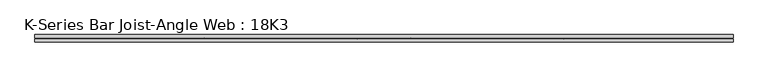
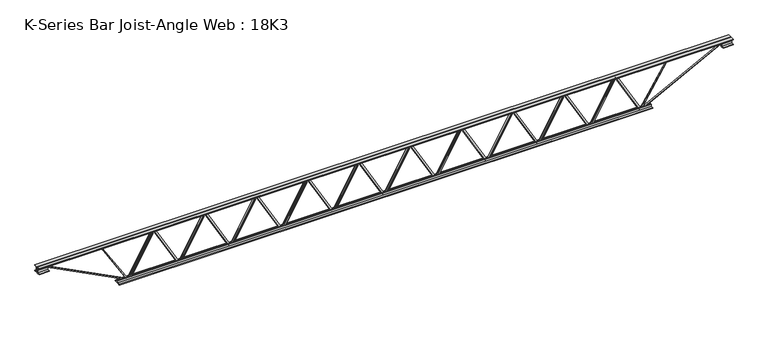
"""IFC4 building model written with IfcOpenShell, lengths in millimetres: beam geometry, K-Series Bar Joist-Angle Web : 18K3."""

from ifc_helpers import new_model, si_unit, frame, origin, place, context, project, spatial, polyline, outline, extrude, faceted_brep, source, transform, mapped, element, save


def k_series_bar_joist_angle_web_18k3_78433776(model_context):
    return source(origin(), model_context, "Body", "SolidModel", [
        extrude(outline(polyline([(-4.7625, 4.7625), (-4.7625, 0.0), (-17.4625, 0.0), (-17.4625, 4.7625), (-4.7625, 4.7625)])), frame((2044.6073736, 0.0, -190.5), z_axis=(-0.496310789905123, 0.0, 0.8681449186764575), x_axis=(0.0, -1.0, 0.0)), (0.0, 0.0, 1.0), 438.8668203),
        extrude(outline(polyline([(-225.425, 2076.45), (-206.375, 2076.45), (-206.375, 2075.6263121), (225.425, 1828.7700621), (225.425, 1810.54375), (206.375, 1810.54375), (206.375, 1817.7174379), (-225.425, 2064.5736879), (-225.425, 2076.45)])), frame((0.0, 0.0, 0.0), z_axis=(0.0, 1.0, 0.0), x_axis=(0.0, 0.0, 1.0)), (0.0, 0.0, 1.0), 4.7625),
        faceted_brep([(1557.3375, 0.0, -206.375), (1557.3375, 0.0, -225.425), (1557.3375, -4.7625, -225.425), (1557.3375, -4.7625, -206.375), (1558.1611879, 0.0, -206.375), (1805.0174379, 0.0, 225.425), (1823.24375, 0.0, 225.425), (1823.24375, 0.0, 206.375), (1816.0700621, 0.0, 206.375), (1569.2138121, 0.0, -225.425), (1569.2138121, -4.7625, -225.425), (1589.1801264, -4.7625, -190.5), (1585.0455862, -4.7625, -188.1363199), (1802.8599244, -4.7625, 192.8636801), (1806.9944646, -4.7625, 190.5), (1816.0700621, -4.7625, 206.375), (1823.24375, -4.7625, 206.375), (1823.24375, -4.7625, 225.425), (1805.0174379, -4.7625, 225.425), (1558.1611879, -4.7625, -206.375), (1806.9944646, -17.4625, 190.5), (1589.1801264, -17.4625, -190.5), (1585.0455862, -17.4625, -188.1363199), (1802.8599244, -17.4625, 192.8636801)], [[[0, 1, 2, 3]], [[1, 0, 4, 5, 6, 7, 8, 9]], [[2, 1, 9, 10]], [[3, 2, 10, 11, 12, 13, 14, 15, 16, 17, 18, 19]], [[0, 3, 19, 4]], [[9, 8, 15, 14, 20, 21, 11, 10]], [[5, 4, 19, 18]], [[7, 6, 17, 16]], [[8, 7, 16, 15]], [[6, 5, 18, 17]], [[21, 22, 12, 11]], [[20, 14, 13, 23]], [[22, 21, 20, 23]], [[12, 22, 23, 13]]]),
        extrude(outline(polyline([(-4.7625, 4.7625), (-4.7625, 0.0), (-17.4625, 0.0), (-17.4625, 4.7625), (-4.7625, 4.7625)])), frame((1525.4948736, 0.0, -190.5), z_axis=(-0.496310789905123, 0.0, 0.8681449186764575), x_axis=(0.0, -1.0, 0.0)), (0.0, 0.0, 1.0), 438.8668203),
        extrude(outline(polyline([(-225.425, 1557.3375), (-206.375, 1557.3375), (-206.375, 1556.5138121), (225.425, 1309.6575621), (225.425, 1291.43125), (206.375, 1291.43125), (206.375, 1298.6049379), (-225.425, 1545.4611879), (-225.425, 1557.3375)])), frame((0.0, 0.0, 0.0), z_axis=(0.0, 1.0, 0.0), x_axis=(0.0, 0.0, 1.0)), (0.0, 0.0, 1.0), 4.7625),
        faceted_brep([(1038.225, 0.0, -206.375), (1038.225, 0.0, -225.425), (1038.225, -4.7625, -225.425), (1038.225, -4.7625, -206.375), (1039.0486879, 0.0, -206.375), (1285.9049379, 0.0, 225.425), (1304.13125, 0.0, 225.425), (1304.13125, 0.0, 206.375), (1296.9575621, 0.0, 206.375), (1050.1013121, 0.0, -225.425), (1050.1013121, -4.7625, -225.425), (1070.0676264, -4.7625, -190.5), (1065.9330862, -4.7625, -188.1363199), (1283.7474244, -4.7625, 192.8636801), (1287.8819646, -4.7625, 190.5), (1296.9575621, -4.7625, 206.375), (1304.13125, -4.7625, 206.375), (1304.13125, -4.7625, 225.425), (1285.9049379, -4.7625, 225.425), (1039.0486879, -4.7625, -206.375), (1287.8819646, -17.4625, 190.5), (1070.0676264, -17.4625, -190.5), (1065.9330862, -17.4625, -188.1363199), (1283.7474244, -17.4625, 192.8636801)], [[[0, 1, 2, 3]], [[1, 0, 4, 5, 6, 7, 8, 9]], [[2, 1, 9, 10]], [[3, 2, 10, 11, 12, 13, 14, 15, 16, 17, 18, 19]], [[0, 3, 19, 4]], [[9, 8, 15, 14, 20, 21, 11, 10]], [[5, 4, 19, 18]], [[7, 6, 17, 16]], [[8, 7, 16, 15]], [[6, 5, 18, 17]], [[21, 22, 12, 11]], [[20, 14, 13, 23]], [[22, 21, 20, 23]], [[12, 22, 23, 13]]]),
        extrude(outline(polyline([(-4.7625, 4.7625), (-4.7625, 0.0), (-17.4625, 0.0), (-17.4625, 4.7625), (-4.7625, 4.7625)])), frame((1006.3823736, 0.0, -190.5), z_axis=(-0.496310789905123, 0.0, 0.8681449186764575), x_axis=(0.0, -1.0, 0.0)), (0.0, 0.0, 1.0), 438.8668203),
        extrude(outline(polyline([(-225.425, 1038.225), (-206.375, 1038.225), (-206.375, 1037.4013121), (225.425, 790.5450621), (225.425, 772.31875), (206.375, 772.31875), (206.375, 779.4924379), (-225.425, 1026.3486879), (-225.425, 1038.225)])), frame((0.0, 0.0, 0.0), z_axis=(0.0, 1.0, 0.0), x_axis=(0.0, 0.0, 1.0)), (0.0, 0.0, 1.0), 4.7625),
        faceted_brep([(519.1125, 0.0, -206.375), (519.1125, 0.0, -225.425), (519.1125, -4.7625, -225.425), (519.1125, -4.7625, -206.375), (519.9361879, 0.0, -206.375), (766.7924379, 0.0, 225.425), (785.01875, 0.0, 225.425), (785.01875, 0.0, 206.375), (777.8450621, 0.0, 206.375), (530.9888121, 0.0, -225.425), (530.9888121, -4.7625, -225.425), (550.9551264, -4.7625, -190.5), (546.8205862, -4.7625, -188.1363199), (764.6349244, -4.7625, 192.8636801), (768.7694646, -4.7625, 190.5), (777.8450621, -4.7625, 206.375), (785.01875, -4.7625, 206.375), (785.01875, -4.7625, 225.425), (766.7924379, -4.7625, 225.425), (519.9361879, -4.7625, -206.375), (768.7694646, -17.4625, 190.5), (550.9551264, -17.4625, -190.5), (546.8205862, -17.4625, -188.1363199), (764.6349244, -17.4625, 192.8636801)], [[[0, 1, 2, 3]], [[1, 0, 4, 5, 6, 7, 8, 9]], [[2, 1, 9, 10]], [[3, 2, 10, 11, 12, 13, 14, 15, 16, 17, 18, 19]], [[0, 3, 19, 4]], [[9, 8, 15, 14, 20, 21, 11, 10]], [[5, 4, 19, 18]], [[7, 6, 17, 16]], [[8, 7, 16, 15]], [[6, 5, 18, 17]], [[21, 22, 12, 11]], [[20, 14, 13, 23]], [[22, 21, 20, 23]], [[12, 22, 23, 13]]]),
        extrude(outline(polyline([(-4.7625, 4.7625), (-4.7625, 0.0), (-17.4625, 0.0), (-17.4625, 4.7625), (-4.7625, 4.7625)])), frame((487.2698736, 0.0, -190.5), z_axis=(-0.496310789905123, 0.0, 0.8681449186764575), x_axis=(0.0, -1.0, 0.0)), (0.0, 0.0, 1.0), 438.8668203),
        extrude(outline(polyline([(-225.425, 519.1125), (-206.375, 519.1125), (-206.375, 518.2888121), (225.425, 271.4325621), (225.425, 253.20625), (206.375, 253.20625), (206.375, 260.3799379), (-225.425, 507.2361879), (-225.425, 519.1125)])), frame((0.0, 0.0, 0.0), z_axis=(0.0, 1.0, 0.0), x_axis=(0.0, 0.0, 1.0)), (0.0, 0.0, 1.0), 4.7625),
        faceted_brep([(0.0, 0.0, -206.375), (0.0, 0.0, -225.425), (0.0, -4.7625, -225.425), (0.0, -4.7625, -206.375), (0.8236879, 0.0, -206.375), (247.6799379, 0.0, 225.425), (265.90625, 0.0, 225.425), (265.90625, 0.0, 206.375), (258.7325621, 0.0, 206.375), (11.8763121, 0.0, -225.425), (11.8763121, -4.7625, -225.425), (31.8426264, -4.7625, -190.5), (27.7080862, -4.7625, -188.1363199), (245.5224244, -4.7625, 192.8636801), (249.6569646, -4.7625, 190.5), (258.7325621, -4.7625, 206.375), (265.90625, -4.7625, 206.375), (265.90625, -4.7625, 225.425), (247.6799379, -4.7625, 225.425), (0.8236879, -4.7625, -206.375), (249.6569646, -17.4625, 190.5), (31.8426264, -17.4625, -190.5), (27.7080862, -17.4625, -188.1363199), (245.5224244, -17.4625, 192.8636801)], [[[0, 1, 2, 3]], [[1, 0, 4, 5, 6, 7, 8, 9]], [[2, 1, 9, 10]], [[3, 2, 10, 11, 12, 13, 14, 15, 16, 17, 18, 19]], [[0, 3, 19, 4]], [[9, 8, 15, 14, 20, 21, 11, 10]], [[5, 4, 19, 18]], [[7, 6, 17, 16]], [[8, 7, 16, 15]], [[6, 5, 18, 17]], [[21, 22, 12, 11]], [[20, 14, 13, 23]], [[22, 21, 20, 23]], [[12, 22, 23, 13]]]),
        extrude(outline(polyline([(-4.7625, 4.7625), (-4.7625, 0.0), (-17.4625, 0.0), (-17.4625, 4.7625), (-4.7625, 4.7625)])), frame((-31.8426264, 0.0, -190.5), z_axis=(-0.496310789905123, 0.0, 0.8681449186764575), x_axis=(0.0, -1.0, 0.0)), (0.0, 0.0, 1.0), 438.8668203),
        extrude(outline(polyline([(-225.425, 0.0), (-206.375, 0.0), (-206.375, -0.8236879), (225.425, -247.6799379), (225.425, -265.90625), (206.375, -265.90625), (206.375, -258.7325621), (-225.425, -11.8763121), (-225.425, 0.0)])), frame((0.0, 0.0, 0.0), z_axis=(0.0, 1.0, 0.0), x_axis=(0.0, 0.0, 1.0)), (0.0, 0.0, 1.0), 4.7625),
        faceted_brep([(-519.1125, 0.0, -206.375), (-519.1125, 0.0, -225.425), (-519.1125, -4.7625, -225.425), (-519.1125, -4.7625, -206.375), (-518.2888121, 0.0, -206.375), (-271.4325621, 0.0, 225.425), (-253.20625, 0.0, 225.425), (-253.20625, 0.0, 206.375), (-260.3799379, 0.0, 206.375), (-507.2361879, 0.0, -225.425), (-507.2361879, -4.7625, -225.425), (-487.2698736, -4.7625, -190.5), (-491.4044138, -4.7625, -188.1363199), (-273.5900756, -4.7625, 192.8636801), (-269.4555354, -4.7625, 190.5), (-260.3799379, -4.7625, 206.375), (-253.20625, -4.7625, 206.375), (-253.20625, -4.7625, 225.425), (-271.4325621, -4.7625, 225.425), (-518.2888121, -4.7625, -206.375), (-269.4555354, -17.4625, 190.5), (-487.2698736, -17.4625, -190.5), (-491.4044138, -17.4625, -188.1363199), (-273.5900756, -17.4625, 192.8636801)], [[[0, 1, 2, 3]], [[1, 0, 4, 5, 6, 7, 8, 9]], [[2, 1, 9, 10]], [[3, 2, 10, 11, 12, 13, 14, 15, 16, 17, 18, 19]], [[0, 3, 19, 4]], [[9, 8, 15, 14, 20, 21, 11, 10]], [[5, 4, 19, 18]], [[7, 6, 17, 16]], [[8, 7, 16, 15]], [[6, 5, 18, 17]], [[21, 22, 12, 11]], [[20, 14, 13, 23]], [[22, 21, 20, 23]], [[12, 22, 23, 13]]]),
        extrude(outline(polyline([(-4.7625, 4.7625), (-4.7625, 0.0), (-17.4625, 0.0), (-17.4625, 4.7625), (-4.7625, 4.7625)])), frame((-550.9551264, 0.0, -190.5), z_axis=(-0.496310789905123, 0.0, 0.8681449186764575), x_axis=(0.0, -1.0, 0.0)), (0.0, 0.0, 1.0), 438.8668203),
        extrude(outline(polyline([(-225.425, -519.1125), (-206.375, -519.1125), (-206.375, -519.9361879), (225.425, -766.7924379), (225.425, -785.01875), (206.375, -785.01875), (206.375, -777.8450621), (-225.425, -530.9888121), (-225.425, -519.1125)])), frame((0.0, 0.0, 0.0), z_axis=(0.0, 1.0, 0.0), x_axis=(0.0, 0.0, 1.0)), (0.0, 0.0, 1.0), 4.7625),
        faceted_brep([(-1038.225, 0.0, -206.375), (-1038.225, 0.0, -225.425), (-1038.225, -4.7625, -225.425), (-1038.225, -4.7625, -206.375), (-1037.4013121, 0.0, -206.375), (-790.5450621, 0.0, 225.425), (-772.31875, 0.0, 225.425), (-772.31875, 0.0, 206.375), (-779.4924379, 0.0, 206.375), (-1026.3486879, 0.0, -225.425), (-1026.3486879, -4.7625, -225.425), (-1006.3823736, -4.7625, -190.5), (-1010.5169138, -4.7625, -188.1363199), (-792.7025756, -4.7625, 192.8636801), (-788.5680354, -4.7625, 190.5), (-779.4924379, -4.7625, 206.375), (-772.31875, -4.7625, 206.375), (-772.31875, -4.7625, 225.425), (-790.5450621, -4.7625, 225.425), (-1037.4013121, -4.7625, -206.375), (-788.5680354, -17.4625, 190.5), (-1006.3823736, -17.4625, -190.5), (-1010.5169138, -17.4625, -188.1363199), (-792.7025756, -17.4625, 192.8636801)], [[[0, 1, 2, 3]], [[1, 0, 4, 5, 6, 7, 8, 9]], [[2, 1, 9, 10]], [[3, 2, 10, 11, 12, 13, 14, 15, 16, 17, 18, 19]], [[0, 3, 19, 4]], [[9, 8, 15, 14, 20, 21, 11, 10]], [[5, 4, 19, 18]], [[7, 6, 17, 16]], [[8, 7, 16, 15]], [[6, 5, 18, 17]], [[21, 22, 12, 11]], [[20, 14, 13, 23]], [[22, 21, 20, 23]], [[12, 22, 23, 13]]]),
        extrude(outline(polyline([(-4.7625, 4.7625), (-4.7625, 0.0), (-17.4625, 0.0), (-17.4625, 4.7625), (-4.7625, 4.7625)])), frame((-1070.0676264, 0.0, -190.5), z_axis=(-0.496310789905123, 0.0, 0.8681449186764575), x_axis=(0.0, -1.0, 0.0)), (0.0, 0.0, 1.0), 438.8668203),
        extrude(outline(polyline([(-225.425, -1038.225), (-206.375, -1038.225), (-206.375, -1039.0486879), (225.425, -1285.9049379), (225.425, -1304.13125), (206.375, -1304.13125), (206.375, -1296.9575621), (-225.425, -1050.1013121), (-225.425, -1038.225)])), frame((0.0, 0.0, 0.0), z_axis=(0.0, 1.0, 0.0), x_axis=(0.0, 0.0, 1.0)), (0.0, 0.0, 1.0), 4.7625),
        faceted_brep([(-1557.3375, 0.0, -206.375), (-1557.3375, 0.0, -225.425), (-1557.3375, -4.7625, -225.425), (-1557.3375, -4.7625, -206.375), (-1556.5138121, 0.0, -206.375), (-1309.6575621, 0.0, 225.425), (-1291.43125, 0.0, 225.425), (-1291.43125, 0.0, 206.375), (-1298.6049379, 0.0, 206.375), (-1545.4611879, 0.0, -225.425), (-1545.4611879, -4.7625, -225.425), (-1525.4948736, -4.7625, -190.5), (-1529.6294138, -4.7625, -188.1363199), (-1311.8150756, -4.7625, 192.8636801), (-1307.6805354, -4.7625, 190.5), (-1298.6049379, -4.7625, 206.375), (-1291.43125, -4.7625, 206.375), (-1291.43125, -4.7625, 225.425), (-1309.6575621, -4.7625, 225.425), (-1556.5138121, -4.7625, -206.375), (-1307.6805354, -17.4625, 190.5), (-1525.4948736, -17.4625, -190.5), (-1529.6294138, -17.4625, -188.1363199), (-1311.8150756, -17.4625, 192.8636801)], [[[0, 1, 2, 3]], [[1, 0, 4, 5, 6, 7, 8, 9]], [[2, 1, 9, 10]], [[3, 2, 10, 11, 12, 13, 14, 15, 16, 17, 18, 19]], [[0, 3, 19, 4]], [[9, 8, 15, 14, 20, 21, 11, 10]], [[5, 4, 19, 18]], [[7, 6, 17, 16]], [[8, 7, 16, 15]], [[6, 5, 18, 17]], [[21, 22, 12, 11]], [[20, 14, 13, 23]], [[22, 21, 20, 23]], [[12, 22, 23, 13]]]),
        extrude(outline(polyline([(-4.7625, 4.7625), (-4.7625, 0.0), (-17.4625, 0.0), (-17.4625, 4.7625), (-4.7625, 4.7625)])), frame((-1589.1801264, 0.0, -190.5), z_axis=(-0.496310789905123, 0.0, 0.8681449186764575), x_axis=(0.0, -1.0, 0.0)), (0.0, 0.0, 1.0), 438.8668203),
        extrude(outline(polyline([(-225.425, -1557.3375), (-206.375, -1557.3375), (-206.375, -1558.1611879), (225.425, -1805.0174379), (225.425, -1823.24375), (206.375, -1823.24375), (206.375, -1816.0700621), (-225.425, -1569.2138121), (-225.425, -1557.3375)])), frame((0.0, 0.0, 0.0), z_axis=(0.0, 1.0, 0.0), x_axis=(0.0, 0.0, 1.0)), (0.0, 0.0, 1.0), 4.7625),
        faceted_brep([(-2076.45, 0.0, -206.375), (-2076.45, 0.0, -225.425), (-2076.45, -4.7625, -225.425), (-2076.45, -4.7625, -206.375), (-2075.6263121, 0.0, -206.375), (-1828.7700621, 0.0, 225.425), (-1810.54375, 0.0, 225.425), (-1810.54375, 0.0, 206.375), (-1817.7174379, 0.0, 206.375), (-2064.5736879, 0.0, -225.425), (-2064.5736879, -4.7625, -225.425), (-2044.6073736, -4.7625, -190.5), (-2048.7419138, -4.7625, -188.1363199), (-1830.9275756, -4.7625, 192.8636801), (-1826.7930354, -4.7625, 190.5), (-1817.7174379, -4.7625, 206.375), (-1810.54375, -4.7625, 206.375), (-1810.54375, -4.7625, 225.425), (-1828.7700621, -4.7625, 225.425), (-2075.6263121, -4.7625, -206.375), (-1826.7930354, -17.4625, 190.5), (-2044.6073736, -17.4625, -190.5), (-2048.7419138, -17.4625, -188.1363199), (-1830.9275756, -17.4625, 192.8636801)], [[[0, 1, 2, 3]], [[1, 0, 4, 5, 6, 7, 8, 9]], [[2, 1, 9, 10]], [[3, 2, 10, 11, 12, 13, 14, 15, 16, 17, 18, 19]], [[0, 3, 19, 4]], [[9, 8, 15, 14, 20, 21, 11, 10]], [[5, 4, 19, 18]], [[7, 6, 17, 16]], [[8, 7, 16, 15]], [[6, 5, 18, 17]], [[21, 22, 12, 11]], [[20, 14, 13, 23]], [[22, 21, 20, 23]], [[12, 22, 23, 13]]]),
        extrude(outline(polyline([(-4.7625, 4.7625), (-4.7625, 0.0), (-17.4625, 0.0), (-17.4625, 4.7625), (-4.7625, 4.7625)])), frame((2563.7198736, 0.0, -190.5), z_axis=(-0.496310789905123, 0.0, 0.8681449186764575), x_axis=(0.0, -1.0, 0.0)), (0.0, 0.0, 1.0), 438.8668203),
        extrude(outline(polyline([(-225.425, 2595.5625), (-206.375, 2595.5625), (-206.375, 2594.7388121), (225.425, 2347.8825621), (225.425, 2329.65625), (206.375, 2329.65625), (206.375, 2336.8299379), (-225.425, 2583.6861879), (-225.425, 2595.5625)])), frame((0.0, 0.0, 0.0), z_axis=(0.0, 1.0, 0.0), x_axis=(0.0, 0.0, 1.0)), (0.0, 0.0, 1.0), 4.7625),
        faceted_brep([(2076.45, 0.0, -206.375), (2076.45, 0.0, -225.425), (2076.45, -4.7625, -225.425), (2076.45, -4.7625, -206.375), (2077.2736879, 0.0, -206.375), (2324.1299379, 0.0, 225.425), (2342.35625, 0.0, 225.425), (2342.35625, 0.0, 206.375), (2335.1825621, 0.0, 206.375), (2088.3263121, 0.0, -225.425), (2088.3263121, -4.7625, -225.425), (2108.2926264, -4.7625, -190.5), (2104.1580862, -4.7625, -188.1363199), (2321.9724244, -4.7625, 192.8636801), (2326.1069646, -4.7625, 190.5), (2335.1825621, -4.7625, 206.375), (2342.35625, -4.7625, 206.375), (2342.35625, -4.7625, 225.425), (2324.1299379, -4.7625, 225.425), (2077.2736879, -4.7625, -206.375), (2326.1069646, -17.4625, 190.5), (2108.2926264, -17.4625, -190.5), (2104.1580862, -17.4625, -188.1363199), (2321.9724244, -17.4625, 192.8636801)], [[[0, 1, 2, 3]], [[1, 0, 4, 5, 6, 7, 8, 9]], [[2, 1, 9, 10]], [[3, 2, 10, 11, 12, 13, 14, 15, 16, 17, 18, 19]], [[0, 3, 19, 4]], [[9, 8, 15, 14, 20, 21, 11, 10]], [[5, 4, 19, 18]], [[7, 6, 17, 16]], [[8, 7, 16, 15]], [[6, 5, 18, 17]], [[21, 22, 12, 11]], [[20, 14, 13, 23]], [[22, 21, 20, 23]], [[12, 22, 23, 13]]]),
        extrude(outline(polyline([(-4.7625, 4.7625), (-4.7625, 0.0), (-17.4625, 0.0), (-17.4625, 4.7625), (-4.7625, 4.7625)])), frame((-2108.2926264, 0.0, -190.5), z_axis=(-0.496310789905123, 0.0, 0.8681449186764575), x_axis=(0.0, -1.0, 0.0)), (0.0, 0.0, 1.0), 438.8668203),
        extrude(outline(polyline([(-225.425, -2076.45), (-206.375, -2076.45), (-206.375, -2077.2736879), (225.425, -2324.1299379), (225.425, -2342.35625), (206.375, -2342.35625), (206.375, -2335.1825621), (-225.425, -2088.3263121), (-225.425, -2076.45)])), frame((0.0, 0.0, 0.0), z_axis=(0.0, 1.0, 0.0), x_axis=(0.0, 0.0, 1.0)), (0.0, 0.0, 1.0), 4.7625),
        faceted_brep([(-2595.5625, 0.0, -206.375), (-2595.5625, 0.0, -225.425), (-2595.5625, -4.7625, -225.425), (-2595.5625, -4.7625, -206.375), (-2594.7388121, 0.0, -206.375), (-2347.8825621, 0.0, 225.425), (-2329.65625, 0.0, 225.425), (-2329.65625, 0.0, 206.375), (-2336.8299379, 0.0, 206.375), (-2583.6861879, 0.0, -225.425), (-2583.6861879, -4.7625, -225.425), (-2563.7198736, -4.7625, -190.5), (-2567.8544138, -4.7625, -188.1363199), (-2350.0400756, -4.7625, 192.8636801), (-2345.9055354, -4.7625, 190.5), (-2336.8299379, -4.7625, 206.375), (-2329.65625, -4.7625, 206.375), (-2329.65625, -4.7625, 225.425), (-2347.8825621, -4.7625, 225.425), (-2594.7388121, -4.7625, -206.375), (-2345.9055354, -17.4625, 190.5), (-2563.7198736, -17.4625, -190.5), (-2567.8544138, -17.4625, -188.1363199), (-2350.0400756, -17.4625, 192.8636801)], [[[0, 1, 2, 3]], [[1, 0, 4, 5, 6, 7, 8, 9]], [[2, 1, 9, 10]], [[3, 2, 10, 11, 12, 13, 14, 15, 16, 17, 18, 19]], [[0, 3, 19, 4]], [[9, 8, 15, 14, 20, 21, 11, 10]], [[5, 4, 19, 18]], [[7, 6, 17, 16]], [[8, 7, 16, 15]], [[6, 5, 18, 17]], [[21, 22, 12, 11]], [[20, 14, 13, 23]], [[22, 21, 20, 23]], [[12, 22, 23, 13]]]),
        extrude(outline(polyline([(4.7625, 228.6), (36.5125, 228.6), (36.5125, 222.25), (11.1125, 222.25), (11.1125, 196.85), (4.7625, 196.85), (4.7625, 228.6)])), frame((-3509.9625, 0.0, 0.0), z_axis=(1.0, 0.0, 0.0), x_axis=(0.0, 1.0, 0.0)), (0.0, 0.0, 1.0), 7019.925),
        extrude(outline(polyline([(-4.7625, 228.6), (-4.7625, 196.85), (-11.1125, 196.85), (-11.1125, 222.25), (-36.5125, 222.25), (-36.5125, 228.6), (-4.7625, 228.6)])), frame((-3509.9625, 0.0, 0.0), z_axis=(1.0, 0.0, 0.0), x_axis=(0.0, 1.0, 0.0)), (0.0, 0.0, 1.0), 7019.925),
        extrude(outline(polyline([(-4.7625, 165.1), (-36.5125, 165.1), (-36.5125, 171.45), (-11.1125, 171.45), (-11.1125, 196.85), (-4.7625, 196.85), (-4.7625, 165.1)])), frame((-3509.9625, 0.0, 0.0), z_axis=(1.0, 0.0, 0.0), x_axis=(0.0, 1.0, 0.0)), (0.0, 0.0, 1.0), 101.6),
        extrude(outline(polyline([(36.5125, 165.1), (4.7625, 165.1), (4.7625, 196.85), (11.1125, 196.85), (11.1125, 171.45), (36.5125, 171.45), (36.5125, 165.1)])), frame((-3509.9625, 0.0, 0.0), z_axis=(1.0, 0.0, 0.0), x_axis=(0.0, 1.0, 0.0)), (0.0, 0.0, 1.0), 101.6),
        extrude(outline(polyline([(4.7625, 165.1), (4.7625, 196.85), (11.1125, 196.85), (11.1125, 171.45), (36.5125, 171.45), (36.5125, 165.1), (4.7625, 165.1)])), frame((3408.3625, 0.0, 0.0), z_axis=(1.0, 0.0, 0.0), x_axis=(0.0, 1.0, 0.0)), (0.0, 0.0, 1.0), 101.6),
        extrude(outline(polyline([(-4.7625, 165.1), (-36.5125, 165.1), (-36.5125, 171.45), (-11.1125, 171.45), (-11.1125, 196.85), (-4.7625, 196.85), (-4.7625, 165.1)])), frame((3408.3625, 0.0, 0.0), z_axis=(1.0, 0.0, 0.0), x_axis=(0.0, 1.0, 0.0)), (0.0, 0.0, 1.0), 101.6),
        extrude(outline(polyline([(4.7625, -228.6), (4.7625, -196.85), (11.1125, -196.85), (11.1125, -222.25), (36.5125, -222.25), (36.5125, -228.6), (4.7625, -228.6)])), frame((-2697.1625, 0.0, 0.0), z_axis=(1.0, 0.0, 0.0), x_axis=(0.0, 1.0, 0.0)), (0.0, 0.0, 1.0), 5394.325),
        extrude(outline(polyline([(-4.7625, -228.6), (-36.5125, -228.6), (-36.5125, -222.25), (-11.1125, -222.25), (-11.1125, -196.85), (-4.7625, -196.85), (-4.7625, -228.6)])), frame((-2697.1625, 0.0, 0.0), z_axis=(1.0, 0.0, 0.0), x_axis=(0.0, 1.0, 0.0)), (0.0, 0.0, 1.0), 5394.325),
        extrude(outline(polyline([(4.7625, 4.7625), (4.7625, -4.7625), (-4.7625, -4.7625), (-4.7625, 4.7625), (4.7625, 4.7625)])), frame((2595.5625, 0.0, -222.25), z_axis=(0.5265208993141981, 0.0, 0.8501621860476788), x_axis=(0.0, -1.0, 0.0)), (0.0, 0.0, 1.0), 492.9647623),
        extrude(outline(polyline([(4.7625, 4.7625), (4.7625, -4.7625), (-4.7625, -4.7625), (-4.7625, 4.7625), (4.7625, 4.7625)])), frame((-2595.5625, 0.0, -222.25), z_axis=(-0.526520899314171, 0.0, 0.8501621860476956), x_axis=(0.0, -1.0, 0.0)), (0.0, 0.0, 1.0), 492.9647623),
        extrude(outline(polyline([(0.0, -9.525), (0.0, 0.0), (914.4881902, 0.0), (914.4881902, -9.525), (0.0, -9.525)])), frame((3410.545102, -4.7625, 192.6170749), z_axis=(-0.45828913319462095, 0.0, 0.8888031674086918), x_axis=(-0.8888031674086918, 0.0, -0.45828913319462095)), (0.0, 0.0, 1.0), 9.525),
        extrude(outline(polyline([(0.0, -9.525), (0.0, 0.0), (914.4881902, 0.0), (914.4881902, -9.525), (0.0, -9.525)])), frame((-3410.545102, 4.7625, 192.6170749), z_axis=(0.4582891331946198, 0.0, 0.8888031674086925), x_axis=(0.8888031674086925, 0.0, -0.4582891331946198)), (0.0, 0.0, 1.0), 9.525),
    ])


if __name__ == "__main__":
    model = new_model("IFC4")
    model_context = context("Model", 3, world=origin())
    ifc_project = project(units=[si_unit("LENGTHUNIT", "METRE", prefix="MILLI")], contexts=[model_context])
    site = spatial("IfcSite", under=ifc_project)
    building = spatial("IfcBuilding", under=site)
    placement = place(None, origin())
    k_series_bar_joist_angle_web_18k3_shape = k_series_bar_joist_angle_web_18k3_78433776(model_context)
    element("IfcBeam", 1, ObjectType="K-Series Bar Joist-Angle Web : 18K3", at=placement, inside=building, context=model_context, shape_type="MappedRepresentation", body=[
        mapped(k_series_bar_joist_angle_web_18k3_shape, transform((0.0, 0.0, 0.0), x_axis=(1.0, 0.0, 0.0), y_axis=(0.0, 1.0, 0.0), z_axis=(0.0, 0.0, 1.0))),
    ])
    save(model, "model.ifc")
